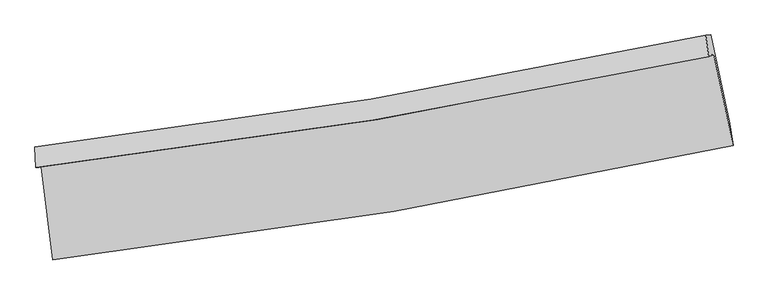
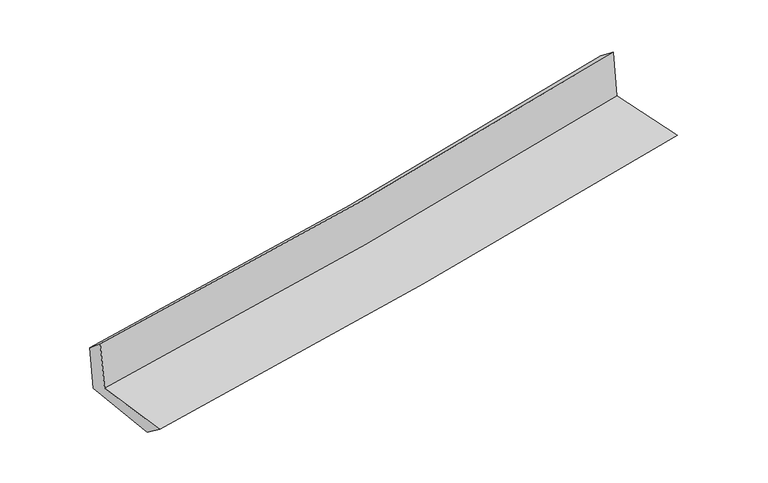
"""IFC4 building model written with IfcOpenShell, lengths in millimetres: proxy geometry."""

from ifc_helpers import new_model, si_unit, frame, origin, place, context, project, spatial, source, transform, mapped, element, save
from ifc_brep_helpers import plane_surface, spline_curve, spline_surface, advanced_brep


def generic_models_fcae1f12(model_context):
    return source(origin(), model_context, "Body", "AdvancedBrep", [
        advanced_brep(
        [(-2416.5829464, -1885.6052724, 1655.4747151), (-2333.9297982, -2547.8104471, 1661.1140194), (2502.5446572, -1734.4566797, 2098.923836), (2365.4178699, -1086.3048793, 2102.1119394), (-2454.3938041, -1889.1789246, 2067.9866626), (2329.1195968, -1101.1149581, 2513.5323846), (-2461.2235626, -1745.596777, 1947.1771983), (2308.3830207, -949.7095721, 2396.4000872), (-2426.8052145, -1742.3437642, 1571.6771264), (2344.1093007, -946.2703477, 2015.9976462), (-2343.4436818, -2381.58698, 1538.5823172), (2479.8823005, -1576.6767712, 1987.8458089)],
        [
            (0, 1),
            (1, 2, spline_curve(3, [(-2333.9297982, -2547.8104471, 1661.1140194), (-1523.776346413, -2452.50437012, 1747.690994045), (-716.35828819, -2337.224970959, 1827.411975982), (895.819014916, -2066.246886501, 1973.396582042), (1700.559108407, -1910.408363042, 2039.612205618), (2502.5446572, -1734.4566797, 2098.923836)], [4, 2, 4], [0.0, 8.021306771170588, 16.070644100075473])),
            (2, 3),
            (3, 0, spline_curve(3, [(2365.4178699, -1086.3048793, 2102.1119394), (1573.015777344, -1260.61979134, 2036.723139828), (777.614373539, -1414.466153137, 1966.736045691), (-816.406751377, -1680.757308704, 1817.825001053), (-1615.005619665, -1793.344411274, 1738.933020111), (-2416.5829464, -1885.6052724, 1655.4747151)], [4, 2, 4], [0.0, 8.049337328904885, 16.070644100075473])),
            (4, 0),
            (3, 5),
            (5, 4, spline_curve(3, [(2329.1195968, -1101.1149581, 2513.5323846), (1536.319495376, -1269.790183781, 2441.467719652), (740.592945323, -1419.881982639, 2368.239791322), (-853.931867824, -1682.440769034, 2219.716462964), (-1652.709784911, -1795.036959148, 2144.42915062), (-2454.3938041, -1889.1789246, 2067.9866626)], [4, 2, 4], [0.0, 8.00339467546505, 15.978918781297567])),
            (6, 4),
            (5, 7),
            (7, 6, spline_curve(3, [(2308.3830207, -949.7095721, 2396.4000872), (1518.202025298, -1119.563623146, 2321.851012665), (724.945691681, -1270.898019213, 2247.075545647), (-864.94455084, -1536.064995232, 2097.333008593), (-1661.557078445, -1650.026334108, 2022.367512847), (-2461.2235626, -1745.596777, 1947.1771983)], [4, 2, 4], [0.0, 7.9927797554933235, 15.957725906151953])),
            (8, 6),
            (7, 9),
            (9, 8, spline_curve(3, [(2344.1093007, -946.2703477, 2015.9976462), (1553.863675359, -1116.146955111, 1940.600695104), (760.465708492, -1267.508181675, 1865.811986189), (-829.861046882, -1532.737257855, 1717.709375079), (-1626.767918223, -1646.733836788, 1644.391243973), (-2426.8052145, -1742.3437642, 1571.6771264)], [4, 2, 4], [0.0, 7.9835898928547415, 15.939378183133453])),
            (10, 8),
            (9, 11),
            (11, 10, spline_curve(3, [(2479.8823005, -1576.6767712, 1987.8458089), (1680.383143839, -1745.112766828, 1911.774179231), (877.983609602, -1896.493914007, 1836.235367237), (-729.811883068, -2164.678742275, 1686.484574403), (-1535.187676152, -2281.600997648, 1612.268889407), (-2343.4436818, -2381.58698, 1538.5823172)], [4, 2, 4], [0.0, 8.027958302456137, 16.027960496292316])),
            (1, 10),
            (11, 2),
        ],
        [
            spline_surface(3, 3, [[(-2416.5829464, -1885.6052724, 1655.4747151), (-1615.005619638, -1793.3444113, 1738.933020234), (-816.40675142, -1680.757308683, 1817.825001035), (777.614373582, -1414.466153159, 1966.736045709), (1573.015777446, -1260.619791387, 2036.723139698), (2365.4178699, -1086.3048793, 2102.1119394)], [(-2389.031896988, -2106.340330641, 1657.354483201), (-1584.59586187, -2013.064397561, 1741.852344841), (-783.05726366, -1899.579862786, 1821.02065936), (817.015920656, -1631.726397597, 1968.956224457), (1615.530221093, -1477.215981942, 2037.686161647), (2411.126799007, -1302.355479419, 2101.04923826)], [(-2361.480847612, -2327.075388859, 1659.234251299), (-1554.186104139, -2232.784383799, 1744.771669445), (-749.707775869, -2118.402416886, 1824.216317715), (856.417467761, -1848.986642032, 1971.176403236), (1658.044664717, -1693.81217254, 2038.649183616), (2456.835728093, -1518.406079581, 2099.98653714)], [(-2333.9297982, -2547.8104471, 1661.1140194), (-1523.776346371, -2452.50437006, 1747.690994051), (-716.358288109, -2337.224970989, 1827.41197604), (895.819014835, -2066.24688647, 1973.396581984), (1700.559108363, -1910.408363095, 2039.612205566), (2502.5446572, -1734.4566797, 2098.923836)]], [4, 4], [4, 2, 4], [0.0, 2.1758900345536847], [0.0, 8.021306771170588, 16.070644100075473]),
            spline_surface(3, 3, [[(-2454.3938041, -1889.1789246, 2067.9866626), (-1652.709784807, -1795.036959094, 2144.429150725), (-853.931867884, -1682.440769049, 2219.716462983), (740.592945383, -1419.881982624, 2368.239791303), (1536.319495448, -1269.790183814, 2441.467719725), (2329.1195968, -1101.1149581, 2513.5323846)], [(-2441.790184871, -1887.9877072, 1930.482680098), (-1640.141729755, -1794.472776496, 2009.263773892), (-841.423495731, -1681.879615596, 2085.752642327), (752.933421448, -1418.076706138, 2234.405209431), (1548.551589463, -1266.733386338, 2306.552859709), (2341.219021182, -1096.178265167, 2376.392236193)], [(-2429.186565629, -1886.7964898, 1792.978697602), (-1627.57367469, -1793.908593898, 1874.098397067), (-828.915123574, -1681.318462136, 1951.788821692), (765.273897517, -1416.271429645, 2100.57062758), (1560.783683431, -1263.676588863, 2171.637999714), (2353.318445518, -1091.241572233, 2239.252087807)], [(-2416.5829464, -1885.6052724, 1655.4747151), (-1615.005619638, -1793.3444113, 1738.933020234), (-816.40675142, -1680.757308683, 1817.825001035), (777.614373582, -1414.466153159, 1966.736045709), (1573.015777446, -1260.619791387, 2036.723139698), (2365.4178699, -1086.3048793, 2102.1119394)]], [4, 4], [4, 2, 4], [0.0, 1.323615910449801], [0.0, 7.975524105832517, 15.978918781297567]),
            spline_surface(3, 3, [[(-2461.2235626, -1745.596777, 1947.1771983), (-1661.557078475, -1650.026334056, 2022.367512753), (-864.944550855, -1536.064995196, 2097.333008618), (724.945691696, -1270.89801925, 2247.075545623), (1518.202025221, -1119.563623137, 2321.851012664), (2308.3830207, -949.7095721, 2396.4000872)], [(-2458.946976444, -1793.457492858, 1987.447019765), (-1658.607980596, -1698.36320906, 2063.054725442), (-861.273656527, -1584.856919798, 2138.127493407), (730.161442929, -1320.559340359, 2287.463627517), (1524.241181964, -1169.639143363, 2361.723248345), (2315.295212734, -1000.1780341, 2435.444186327)], [(-2456.670390256, -1841.318208742, 2027.716841135), (-1655.658882686, -1746.70008409, 2103.741938036), (-857.602762212, -1633.648844447, 2178.921978193), (735.37719415, -1370.220661515, 2327.851709408), (1530.280338704, -1219.714663588, 2401.595484044), (2322.207404766, -1050.6464961, 2474.488285473)], [(-2454.3938041, -1889.1789246, 2067.9866626), (-1652.709784807, -1795.036959094, 2144.429150725), (-853.931867884, -1682.440769049, 2219.716462983), (740.592945383, -1419.881982624, 2368.239791303), (1536.319495448, -1269.790183814, 2441.467719725), (2329.1195968, -1101.1149581, 2513.5323846)]], [4, 4], [4, 2, 4], [0.0, 0.6295190689378474], [0.0, 7.96494615065863, 15.957725906151953]),
            spline_surface(3, 3, [[(-2426.8052145, -1742.3437642, 1571.6771264), (-1626.767918253, -1646.733836901, 1644.391244002), (-829.861046829, -1532.737257852, 1717.70937508), (760.465708439, -1267.508181677, 1865.811986187), (1553.86367537, -1116.146955182, 1940.600695012), (2344.1093007, -946.2703477, 2015.9976462)], [(-2438.277997181, -1743.42810181, 1696.843817027), (-1638.364304974, -1647.831335963, 1770.38333358), (-841.555548183, -1533.846503633, 1844.25058626), (748.625702846, -1268.638127535, 1992.899839333), (1541.976458628, -1117.285844493, 2067.684134239), (2332.200540675, -947.416755825, 2142.798459876)], [(-2449.750779919, -1744.51243939, 1822.010507673), (-1649.960691754, -1648.928834994, 1896.375423176), (-853.250049501, -1534.955749415, 1970.791797438), (736.785697288, -1269.768073393, 2119.987692477), (1530.089241963, -1118.424733827, 2194.767573437), (2320.291780725, -948.563163975, 2269.599273524)], [(-2461.2235626, -1745.596777, 1947.1771983), (-1661.557078475, -1650.026334056, 2022.367512753), (-864.944550855, -1536.064995196, 2097.333008618), (724.945691696, -1270.89801925, 2247.075545623), (1518.202025221, -1119.563623137, 2321.851012664), (2308.3830207, -949.7095721, 2396.4000872)]], [4, 4], [4, 2, 4], [0.0, 1.2535945027821336], [0.0, 7.955788290278711, 15.939378183133453]),
            spline_surface(3, 3, [[(-2343.4436818, -2381.58698, 1538.5823172), (-1535.187676136, -2281.600997754, 1612.268889333), (-729.811882987, -2164.678742179, 1686.484574425), (877.983609521, -1896.493914103, 1836.235367215), (1680.383143754, -1745.112766753, 1911.774179353), (2479.8823005, -1576.6767712, 1987.8458089)], [(-2371.230859362, -2168.505908049, 1549.613920264), (-1565.714423504, -2069.978610785, 1622.976340887), (-763.161604268, -1954.031580739, 1696.892841315), (838.810975827, -1686.832003296, 1846.09424021), (1638.209987627, -1535.457496237, 1921.383017917), (2434.624633901, -1366.541296708, 1997.229754678)], [(-2399.018036938, -1955.424836151, 1560.645523336), (-1596.241170885, -1858.35622387, 1633.683792449), (-796.511325549, -1743.384419293, 1707.301108191), (799.638342133, -1477.170092484, 1855.953113192), (1596.036831497, -1325.802225698, 1930.991856448), (2389.366967299, -1156.405822192, 2006.613700422)], [(-2426.8052145, -1742.3437642, 1571.6771264), (-1626.767918253, -1646.733836901, 1644.391244002), (-829.861046829, -1532.737257852, 1717.70937508), (760.465708439, -1267.508181677, 1865.811986187), (1553.86367537, -1116.146955182, 1940.600695012), (2344.1093007, -946.2703477, 2015.9976462)]], [4, 4], [4, 2, 4], [0.0, 2.1013834425040616], [0.0, 8.00000219383618, 16.027960496292316]),
            spline_surface(3, 3, [[(-2333.9297982, -2547.8104471, 1661.1140194), (-1523.776346371, -2452.50437006, 1747.690994051), (-716.358288109, -2337.224970989, 1827.41197604), (895.819014835, -2066.24688647, 1973.396581984), (1700.559108363, -1910.408363095, 2039.612205566), (2502.5446572, -1734.4566797, 2098.923836)], [(-2337.101092755, -2492.402624742, 1620.270118646), (-1527.580122981, -2395.5365793, 1702.550292457), (-720.842819716, -2279.709561397, 1780.436175513), (889.873879749, -2009.662562359, 1927.676177071), (1693.833786827, -1855.309830996, 1996.99953016), (2494.9905383, -1681.863376882, 2061.897826966)], [(-2340.272387245, -2436.994802358, 1579.426217954), (-1531.383899527, -2338.568788514, 1657.409590927), (-725.32735138, -2222.194151771, 1733.460374953), (883.928744607, -1953.078238214, 1881.955772127), (1687.10846529, -1800.211298852, 1954.386854758), (2487.4364194, -1629.270074018, 2024.871817934)], [(-2343.4436818, -2381.58698, 1538.5823172), (-1535.187676136, -2281.600997754, 1612.268889333), (-729.811882987, -2164.678742179, 1686.484574425), (877.983609521, -1896.493914103, 1836.235367215), (1680.383143754, -1745.112766753, 1911.774179353), (2479.8823005, -1576.6767712, 1987.8458089)]], [4, 4], [4, 2, 4], [0.0, 0.7252583761347104], [0.0, 8.054847287950265, 16.13784234139397]),
            plane_surface(frame((2388.242791, -1232.4222013, 2185.8019504), z_axis=(0.9741650844577463, 0.20564089933575103, 0.09334992631928357), x_axis=(-0.09350180153162613, -0.009001039970699284, 0.9955784220189721))),
            plane_surface(frame((-2406.0631679, -2032.0203609, 1740.3353398), z_axis=(-0.9880290384821561, -0.1241012417342091, -0.0916378792642726), x_axis=(-0.1238495730858574, 0.9922650248056818, -0.008450076557670843))),
        ],
        [
            (0, [[1, 2, 3, 4]]),
            (1, [[5, -4, 6, 7]]),
            (2, [[8, -7, 9, 10]]),
            (3, [[11, -10, 12, 13]]),
            (4, [[14, -13, 15, 16]]),
            (5, [[17, -16, 18, -2]]),
            (6, [[-12, -9, -6, -3, -18, -15]]),
            (7, [[-1, -5, -8, -11, -14, -17]]),
        ],
    ),
    ])


if __name__ == "__main__":
    model = new_model("IFC4")
    model_context = context("Model", 3, world=origin())
    ifc_project = project(units=[si_unit("LENGTHUNIT", "METRE", prefix="MILLI")], contexts=[model_context])
    site = spatial("IfcSite", under=ifc_project)
    building = spatial("IfcBuilding", under=site)
    placement = place(None, origin())
    generic_models_shape = generic_models_fcae1f12(model_context)
    element("IfcBuildingElementProxy", 1, Name="Generic Models", at=placement, inside=building, context=model_context, shape_type="MappedRepresentation", body=[
        mapped(generic_models_shape, transform((0.0, 0.0, 0.0), x_axis=(1.0, 0.0, 0.0), y_axis=(0.0, 1.0, 0.0), z_axis=(0.0, 0.0, 1.0))),
    ])
    save(model, "model.ifc")
